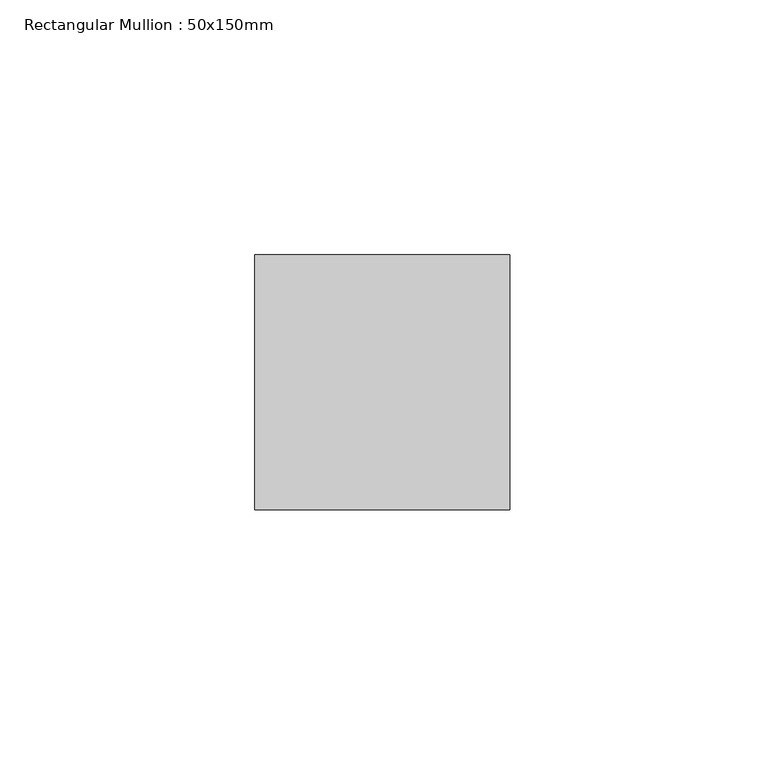
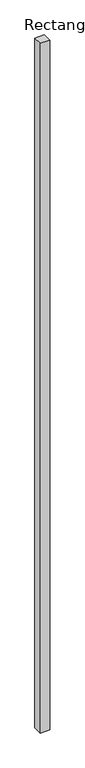
"""IFC4 building model written with IfcOpenShell, lengths in millimetres: member geometry, Rectangular Mullion : 50x150mm."""

from ifc_helpers import new_model, si_unit, frame, origin, place, context, project, spatial, polyline, outline, extrude, source, transform, mapped, element, save


def rectangular_mullion_50x150mm_20f7ba9c(model_context):
    return source(origin(), model_context, "Body", "SweptSolid", [
        extrude(outline(polyline([(0.0, 25.0), (0.0, -25.0), (-50.0, -25.0), (-50.0, 25.0), (0.0, 25.0)])), frame((0.0, 0.0, -3850.0), z_axis=(0.0, 0.0, 1.0), x_axis=(1.0, 0.0, 0.0)), (0.0, 0.0, 1.0), 3850.0),
    ])


if __name__ == "__main__":
    model = new_model("IFC4")
    model_context = context("Model", 3, world=origin())
    ifc_project = project(units=[si_unit("LENGTHUNIT", "METRE", prefix="MILLI")], contexts=[model_context])
    site = spatial("IfcSite", under=ifc_project)
    building = spatial("IfcBuilding", under=site)
    placement = place(None, origin())
    rectangular_mullion_50x150mm_shape = rectangular_mullion_50x150mm_20f7ba9c(model_context)
    element("IfcMember", 1, ObjectType="Rectangular Mullion : 50x150mm", at=placement, inside=building, context=model_context, shape_type="MappedRepresentation", body=[
        mapped(rectangular_mullion_50x150mm_shape, transform((0.0, 0.0, 0.0), x_axis=(1.0, 0.0, 0.0), y_axis=(0.0, 1.0, 0.0), z_axis=(0.0, 0.0, 1.0))),
    ])
    save(model, "model.ifc")
